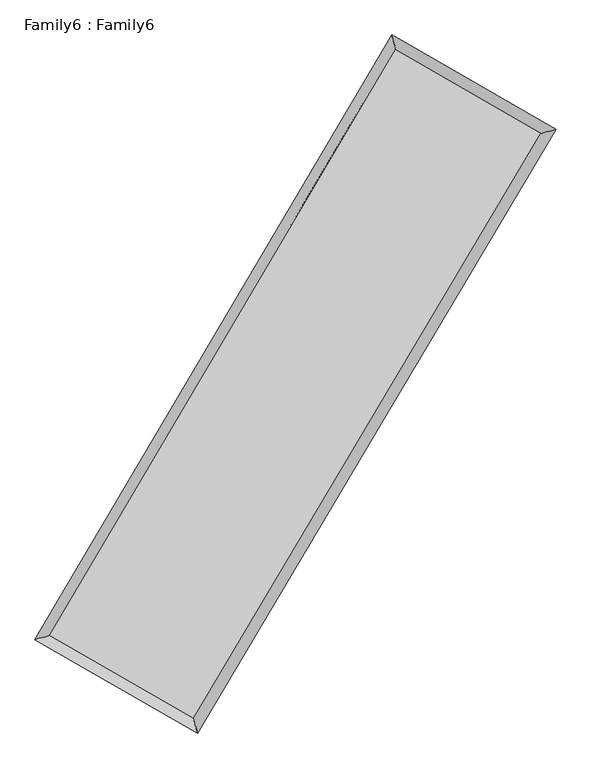
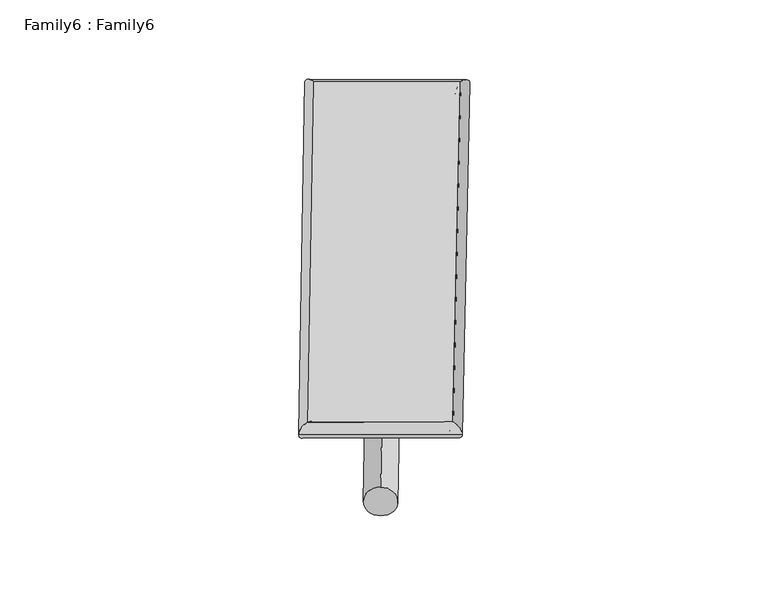
"""IFC4 building model written with IfcOpenShell, lengths in millimetres: plate geometry, Family6 : Family6."""

from ifc_helpers import new_model, si_unit, point, frame, origin, origin_2d, place, context, project, spatial, circle_curve, ellipse_curve, trimmed, segment, composite_curve, outline, extrude, source, transform, mapped, element, save
from ifc_brep_helpers import plane_surface, cylinder_surface, spline_surface, advanced_brep


def family6_family6_a4cf69cf(model_context):
    return source(origin(), model_context, "Body", "SolidModel", [
        extrude(outline(composite_curve([segment(trimmed(circle_curve(origin_2d(), 76.2), [point((-75.4341514, -10.7763074))], [point((75.4341514, 10.7763074))], False, "CARTESIAN"), True, "CONTINUOUS"), segment(trimmed(circle_curve(origin_2d(), 76.2), [point((75.4341514, 10.7763074))], [point((-75.4341514, -10.7763074))], False, "CARTESIAN"), True, "CONTINUOUS")], self_intersect=False)), frame((9144.0, 9144.0, 0.0), z_axis=(0.6750751206074489, 0.6857146040155432, 0.2721563215812655), x_axis=(-0.6777608932801831, 0.7221511338765326, -0.13833984017949)), (0.0, 0.0, 1.0), 5584.6401363),
        extrude(outline(composite_curve([segment(trimmed(circle_curve(origin_2d(), 76.2), [point((-53.8815367, 53.8815368))], [point((53.8815367, -53.8815368))], False, "CARTESIAN"), True, "CONTINUOUS"), segment(trimmed(circle_curve(origin_2d(), 76.2), [point((53.8815367, -53.8815368))], [point((-53.8815367, 53.8815368))], False, "CARTESIAN"), True, "CONTINUOUS")], self_intersect=False)), frame((9144.0, 9144.0, 0.0), z_axis=(-0.6734496009832476, -0.6872853725669331, 0.27222132831766993), x_axis=(0.6409157971117632, -0.3593500627675946, 0.6783026414525593)), (0.0, 0.0, 1.0), 5582.9794618),
        extrude(outline(composite_curve([segment(trimmed(circle_curve(origin_2d(), 76.2), [point((-53.8815368, -53.8815367))], [point((53.8815368, 53.8815367))], False, "CARTESIAN"), True, "CONTINUOUS"), segment(trimmed(circle_curve(origin_2d(), 76.2), [point((53.8815368, 53.8815367))], [point((-53.8815368, -53.8815367))], False, "CARTESIAN"), True, "CONTINUOUS")], self_intersect=False)), frame((9144.0, 9144.0, 0.0), z_axis=(0.275742533936973, 0.921213476166591, 0.274466366440559), x_axis=(-0.8397737384108114, 0.36980381987128075, -0.3975238396425296)), (0.0, 0.0, 1.0), 5556.5218357),
        extrude(outline(composite_curve([segment(trimmed(circle_curve(origin_2d(), 76.2), [point((-75.4341514, 10.7763073))], [point((75.4341514, -10.7763073))], False, "CARTESIAN"), True, "CONTINUOUS"), segment(trimmed(circle_curve(origin_2d(), 76.2), [point((75.4341514, -10.7763073))], [point((-75.4341514, 10.7763073))], False, "CARTESIAN"), True, "CONTINUOUS")], self_intersect=False)), frame((9144.0, 9144.0, 0.0), z_axis=(-0.27783214781549453, -0.9205336661476813, 0.2746398862673418), x_axis=(0.8773671516001161, -0.12673403105238196, 0.4627800413439553)), (0.0, 0.0, 1.0), 5552.6884584),
        advanced_brep(
        [(5174.471482, 5251.6350816, 1520.2088555), (5593.8188118, 5362.1659458, 1520.3291319), (5593.8179364, 5362.1646796, 1519.4033146), (10730.6954814, 14055.4476782, 1524.5210197), (10621.6433402, 14470.037913, 1525.6356969), (5174.4706065, 5251.6338154, 1519.2830382), (12704.1291353, 12918.5264842, 1519.9502773), (13123.9740917, 13028.412115, 1519.8399564), (7546.9995493, 4239.5441585, 1524.8956407), (7655.5697296, 3825.5825143, 1525.0838127)],
        [
            (0, 1, ellipse_curve(frame((5384.1447092, 5306.8998806, 1519.8060851), z_axis=(-0.2548730495325546, 0.9669739184932311, -0.0010814692885248085), x_axis=(-0.966972459447453, -0.25487465684353355, -0.0017810022556951344)), 216.8360211, 152.4)),
            (1, 2, ellipse_curve(frame((5384.1447092, 5306.8998806, 1519.8060851), z_axis=(-0.2548730495325546, 0.9669739184932311, -0.0010814692885248085), x_axis=(-0.966972459447453, -0.25487465684353355, -0.0017810022556951344)), 216.8360211, 152.4)),
            (2, 3),
            (3, 4, ellipse_curve(frame((10676.1694108, 14262.7427956, 1525.0783583), z_axis=(-0.967102317262657, -0.25438552455826996, 0.0010549125144050594), x_axis=(0.2543834362828202, -0.9671017902405457, -0.0017873607570973848)), 214.3471446, 152.4)),
            (4, 0),
            (2, 5, ellipse_curve(frame((5384.1447092, 5306.8998806, 1519.8060851), z_axis=(-0.2548730495325546, 0.9669739184932311, -0.0010814692885248085), x_axis=(-0.966972459447453, -0.25487465684353355, -0.0017810022556951344)), 216.8360211, 152.4)),
            (5, 0, ellipse_curve(frame((5384.1447092, 5306.8998806, 1519.8060851), z_axis=(-0.2548730495325546, 0.9669739184932311, -0.0010814692885248085), x_axis=(-0.966972459447453, -0.25487465684353355, -0.0017810022556951344)), 216.8360211, 152.4)),
            (4, 3, ellipse_curve(frame((10676.1694108, 14262.7427956, 1525.0783583), z_axis=(-0.967102317262657, -0.25438552455826996, 0.0010549125144050594), x_axis=(0.2543834362828202, -0.9671017902405457, -0.0017873607570973848)), 214.3471446, 152.4)),
            (3, 6),
            (6, 7, ellipse_curve(frame((12914.0516135, 12973.4692996, 1519.8951168), z_axis=(-0.2531999206220994, 0.9674133727386035, 0.0010800201307217376), x_axis=(-0.9674119697732044, -0.25320151124880197, 0.0017536934884102402)), 216.9937134, 152.4)),
            (7, 4),
            (7, 6, ellipse_curve(frame((12914.0516135, 12973.4692996, 1519.8951168), z_axis=(-0.2531999206220994, 0.9674133727386035, 0.0010800201307217376), x_axis=(-0.9674119697732044, -0.25320151124880197, 0.0017536934884102402)), 216.9937134, 152.4)),
            (6, 8),
            (8, 9, ellipse_curve(frame((7601.2846394, 4032.5633364, 1524.9897267), z_axis=(0.9672846308807735, 0.2536913051423705, 0.001079146424796495), x_axis=(-0.2536891738620868, 0.9672841305310766, -0.0017927319685974409)), 213.981359, 152.4)),
            (9, 7),
            (9, 8, ellipse_curve(frame((7601.2846394, 4032.5633364, 1524.9897267), z_axis=(0.9672846308807735, 0.2536913051423705, 0.001079146424796495), x_axis=(-0.2536891738620868, 0.9672841305310766, -0.0017927319685974409)), 213.981359, 152.4)),
            (8, 1),
            (5, 9),
        ],
        [
            cylinder_surface(frame((5384.1447092, 5306.8998806, 1519.8060851), z_axis=(-0.5087246657751138, -0.8609291245854429, -0.0005068259482601809), x_axis=(-0.8609257617651601, 0.5087208208627078, 0.0031558120748275418)), 152.4),
            cylinder_surface(frame((10676.1694108, 14262.7427956, 1525.0783583), z_axis=(-0.8664874318673187, 0.49919485449513884, 0.002006903474566251), x_axis=(0.4991980697383982, 0.8664862901054695, 0.0016721927872067283)), 152.4),
            cylinder_surface(frame((12914.0516135, 12973.4692996, 1519.8951168), z_axis=(0.5108304194488972, 0.8596813610916769, -0.0004898542902675713), x_axis=(0.8596814901230426, -0.5108304194488973, 0.00013455663846592166)), 152.4),
            cylinder_surface(frame((7601.2846394, 4032.5633364, 1524.9897267), z_axis=(0.8669921948329781, -0.4983175948199412, 0.0020270154326421327), x_axis=(-0.49831571764316346, -0.866994544277598, -0.001380486384920185)), 152.4),
        ],
        [
            (0, [[1, 2, 3, 4, 5]]),
            (0, [[6, 7, -5, 8, -3]]),
            (1, [[-4, 9, 10, 11]]),
            (1, [[-8, -11, 12, -9]]),
            (2, [[-10, 13, 14, 15]]),
            (2, [[-12, -15, 16, -13]]),
            (3, [[-14, 17, -1, -7, 18]]),
            (3, [[-16, -18, -6, -2, -17]]),
        ],
    ),
        extrude(outline(composite_curve([segment(trimmed(circle_curve(origin_2d(), 304.8), [point((0.0, 304.8))], [point((0.0, -304.8))], False, "CARTESIAN"), True, "CONTINUOUS"), segment(trimmed(circle_curve(origin_2d(), 304.8), [point((0.0, -304.8))], [point((0.0, 304.8))], False, "CARTESIAN"), True, "CONTINUOUS")], self_intersect=False)), frame((11804.4862646, 13640.4824986, -0.0001023), z_axis=(-0.5092220541456647, -0.8606351721674343, 1.957567352486162e-08), x_axis=(-0.8606351721674346, 0.5092220541456647, -5.357506314364087e-09)), (0.0, 0.0, 1.0), 10449.2185401),
        advanced_brep(
        [(5384.1447092, 5306.8998806, 1519.8060851), (7601.2846394, 4032.5633364, 1524.9897267), (7601.2852853, 4032.5614297, 1677.3897267), (5384.145355, 5306.897974, 1672.206085), (12914.0516135, 12973.4692996, 1519.8951168), (12914.0522594, 12973.467393, 1672.2951168), (10676.1694108, 14262.7427956, 1525.0783583), (10676.1700567, 14262.740889, 1677.4783583)],
        [
            (0, 1),
            (1, 2),
            (2, 3),
            (3, 0),
            (1, 4),
            (4, 5),
            (5, 2),
            (4, 6),
            (6, 7),
            (7, 5),
            (6, 0),
            (3, 7),
        ],
        [
            plane_surface(frame((6492.7146743, 4669.7316085, 1522.3979059), z_axis=(-0.4983186031947852, -0.8669939847736543, -8.73491823399691e-06), x_axis=(0.8669921948329778, -0.4983175948199418, 0.0020270154326421323))),
            plane_surface(frame((10257.6681265, 8503.016318, 1522.4424218), z_axis=(0.8596814616809686, -0.5108304849374132, -1.0033975762158224e-05), x_axis=(0.5108304194488976, 0.8596813610916766, -0.0004898542902675719))),
            plane_surface(frame((11795.1105122, 13618.1060476, 1522.4867376), z_axis=(0.4991958749453956, 0.8664891680577301, 8.724884947261622e-06), x_axis=(-0.8664874318673182, 0.49919485449513923, 0.0020069034745662504))),
            plane_surface(frame((8030.15706, 9784.8213381, 1522.4422217), z_axis=(-0.860929237698513, 0.5087247267192729, 1.0012919092592802e-05), x_axis=(-0.5087246657751138, -0.8609291245854429, -0.000506825948260181))),
            spline_surface(1, 1, [[(7601.2852853, 4032.5614297, 1677.3897267), (5384.145355, 5306.897974, 1672.206085)], [(12914.0522594, 12973.467393, 1672.2951168), (10676.1700567, 14262.740889, 1677.4783583)]], [2, 2], [2, 2], [0.0, 1.0], [0.0, 1.0]),
            spline_surface(1, 1, [[(10676.1694108, 14262.7427956, 1525.0783583), (5384.1447092, 5306.8998806, 1519.8060851)], [(12914.0516135, 12973.4692996, 1519.8951168), (7601.2846394, 4032.5633364, 1524.9897267)]], [2, 2], [2, 2], [0.0, 1.0], [0.0, 1.0]),
        ],
        [
            (0, [[1, 2, 3, 4]]),
            (1, [[5, 6, 7, -2]]),
            (2, [[8, 9, 10, -6]]),
            (3, [[11, -4, 12, -9]]),
            (4, [[-3, -7, -10, -12]]),
            (5, [[-11, -8, -5, -1]]),
        ],
    ),
    ])


if __name__ == "__main__":
    model = new_model("IFC4")
    model_context = context("Model", 3, world=origin())
    ifc_project = project(units=[si_unit("LENGTHUNIT", "METRE", prefix="MILLI")], contexts=[model_context])
    site = spatial("IfcSite", under=ifc_project)
    building = spatial("IfcBuilding", under=site)
    placement = place(None, origin())
    family6_family6_shape = family6_family6_a4cf69cf(model_context)
    element("IfcPlate", 1, ObjectType="Family6 : Family6", at=placement, inside=building, context=model_context, shape_type="MappedRepresentation", body=[
        mapped(family6_family6_shape, transform((0.0, 0.0, 0.0), x_axis=(1.0, 0.0, 0.0), y_axis=(0.0, 1.0, 0.0), z_axis=(0.0, 0.0, 1.0))),
    ])
    save(model, "model.ifc")
